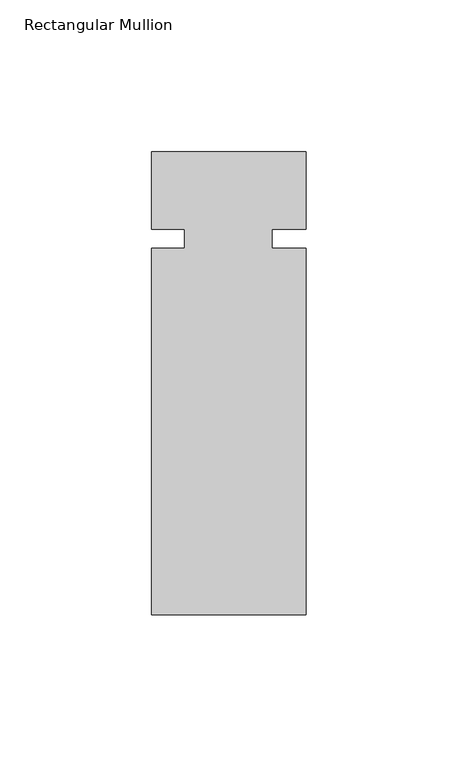
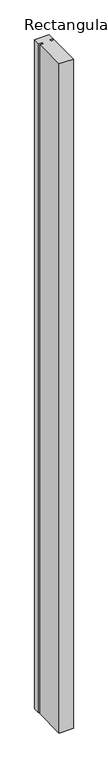
"""IFC4 building model written with IfcOpenShell, lengths in millimetres: member geometry, Rectangular Mullion."""

from ifc_helpers import new_model, si_unit, frame, origin, place, context, project, spatial, polyline, outline, extrude, source, transform, mapped, element, save


def rectangular_mullion_a39a5ff1(model_context):
    return source(origin(), model_context, "Body", "SweptSolid", [
        extrude(outline(polyline([(25.4, -25.4), (14.3, -25.4), (14.3, -31.75), (25.4, -31.75), (25.4, -152.4), (-25.4, -152.4), (-25.4, -31.75), (-14.4984375, -31.75), (-14.4984375, -25.4), (-25.4, -25.4), (-25.4, 0.0), (25.4, 0.0), (25.4, -25.4)])), frame((0.0, 0.0, -2540.0), z_axis=(0.0, 0.0, 1.0), x_axis=(1.0, 0.0, 0.0)), (0.0, 0.0, 1.0), 2540.0),
    ])


if __name__ == "__main__":
    model = new_model("IFC4")
    model_context = context("Model", 3, world=origin())
    ifc_project = project(units=[si_unit("LENGTHUNIT", "METRE", prefix="MILLI")], contexts=[model_context])
    site = spatial("IfcSite", under=ifc_project)
    building = spatial("IfcBuilding", under=site)
    placement = place(None, origin())
    rectangular_mullion_shape = rectangular_mullion_a39a5ff1(model_context)
    element("IfcMember", 1, ObjectType="Rectangular Mullion", at=placement, inside=building, context=model_context, shape_type="MappedRepresentation", body=[
        mapped(rectangular_mullion_shape, transform((0.0, 0.0, 0.0), x_axis=(1.0, 0.0, 0.0), y_axis=(0.0, 1.0, 0.0), z_axis=(0.0, 0.0, 1.0))),
    ])
    save(model, "model.ifc")
